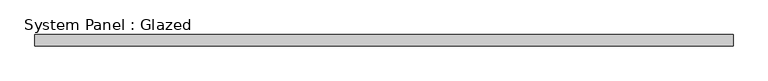
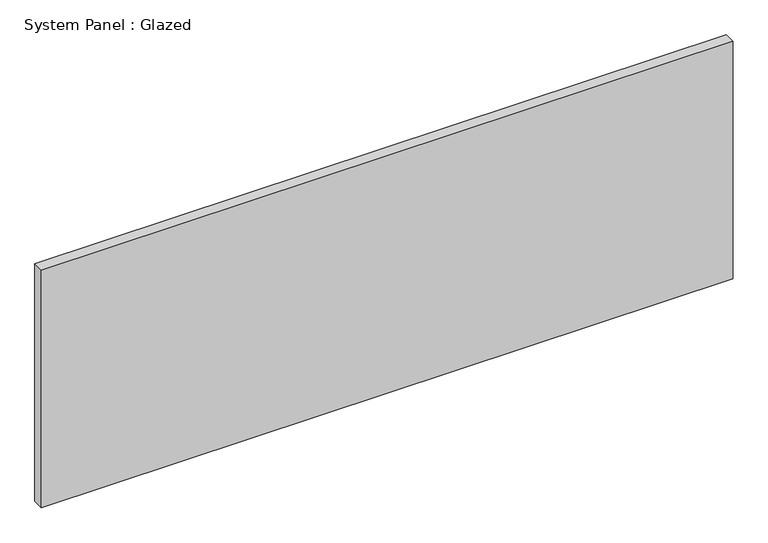
"""IFC4 building model written with IfcOpenShell, lengths in millimetres: plate geometry, System Panel : Glazed."""

from ifc_helpers import new_model, si_unit, origin, origin_with_axes, place, context, project, spatial, polyline, outline, extrude, source, transform, mapped, element, save


def system_panel_glazed_5f506cc2(model_context):
    return source(origin(), model_context, "Body", "SweptSolid", [
        extrude(outline(polyline([(769.62, -12.7), (-769.62, -12.7), (-769.62, 12.7), (769.62, 12.7), (769.62, -12.7)])), origin_with_axes(), (0.0, 0.0, 1.0), 558.8),
    ])


if __name__ == "__main__":
    model = new_model("IFC4")
    model_context = context("Model", 3, world=origin())
    ifc_project = project(units=[si_unit("LENGTHUNIT", "METRE", prefix="MILLI")], contexts=[model_context])
    site = spatial("IfcSite", under=ifc_project)
    building = spatial("IfcBuilding", under=site)
    placement = place(None, origin())
    system_panel_glazed_shape = system_panel_glazed_5f506cc2(model_context)
    element("IfcPlate", 1, ObjectType="System Panel : Glazed", at=placement, inside=building, context=model_context, shape_type="MappedRepresentation", body=[
        mapped(system_panel_glazed_shape, transform((0.0, 0.0, 0.0), x_axis=(1.0, 0.0, 0.0), y_axis=(0.0, 1.0, 0.0), z_axis=(0.0, 0.0, 1.0))),
    ])
    save(model, "model.ifc")
